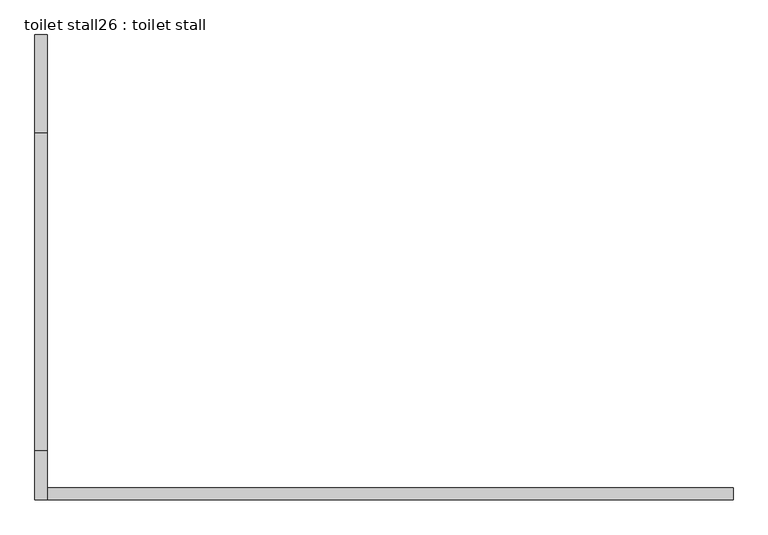
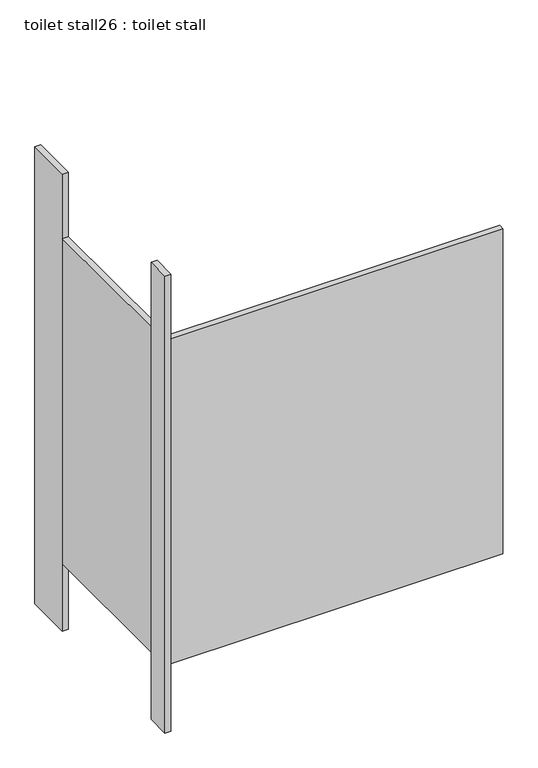
"""IFC4 building model written with IfcOpenShell, lengths in millimetres: proxy geometry, toilet stall26 : toilet stall."""

from ifc_helpers import new_model, si_unit, frame, origin, origin_with_axes, place, context, project, spatial, polyline, outline, extrude, source, transform, mapped, element, save


def toilet_stall26_toilet_stall_3a3125b9(model_context):
    return source(origin(), model_context, "Body", "SweptSolid", [
        extrude(outline(polyline([(454658.2004676, -348595.1705223), (454632.8004676, -348595.1705223), (454632.8004676, -348391.9705223), (454658.2004676, -348391.9705223), (454658.2004676, -348595.1705223)])), origin_with_axes(), (0.0, 0.0, 1.0), 2070.1),
        extrude(outline(polyline([(454658.2004676, -349357.1705223), (454632.8004676, -349357.1705223), (454632.8004676, -349255.5705223), (454658.2004676, -349255.5705223), (454658.2004676, -349357.1705223)])), origin_with_axes(), (0.0, 0.0, 1.0), 2070.1),
        extrude(outline(polyline([(454658.2004676, -349357.1705223), (454658.2004676, -349331.7705223), (456080.6004676, -349331.7705223), (456080.6004676, -349357.1705223), (454658.2004676, -349357.1705223)])), frame((0.0, 0.0, 304.8), z_axis=(0.0, 0.0, 1.0), x_axis=(1.0, 0.0, 0.0)), (0.0, 0.0, 1.0), 1473.2),
        extrude(outline(polyline([(454658.2004676, -349255.5705223), (454632.8004676, -349255.5705223), (454632.8004676, -348595.1705223), (454658.2004676, -348595.1705223), (454658.2004676, -349255.5705223)])), frame((0.0, 0.0, 304.8), z_axis=(0.0, 0.0, 1.0), x_axis=(1.0, 0.0, 0.0)), (0.0, 0.0, 1.0), 1473.2),
    ])


if __name__ == "__main__":
    model = new_model("IFC4")
    model_context = context("Model", 3, world=origin())
    ifc_project = project(units=[si_unit("LENGTHUNIT", "METRE", prefix="MILLI")], contexts=[model_context])
    site = spatial("IfcSite", under=ifc_project)
    building = spatial("IfcBuilding", under=site)
    placement = place(None, origin())
    toilet_stall26_toilet_stall_shape = toilet_stall26_toilet_stall_3a3125b9(model_context)
    element("IfcBuildingElementProxy", 1, Name="toilet stall26 : toilet stall", ObjectType="toilet stall26 : toilet stall", at=placement, inside=building, context=model_context, shape_type="MappedRepresentation", body=[
        mapped(toilet_stall26_toilet_stall_shape, transform((0.0, 0.0, 0.0), x_axis=(1.0, 0.0, 0.0), y_axis=(0.0, 1.0, 0.0), z_axis=(0.0, 0.0, 1.0))),
    ])
    save(model, "model.ifc")
